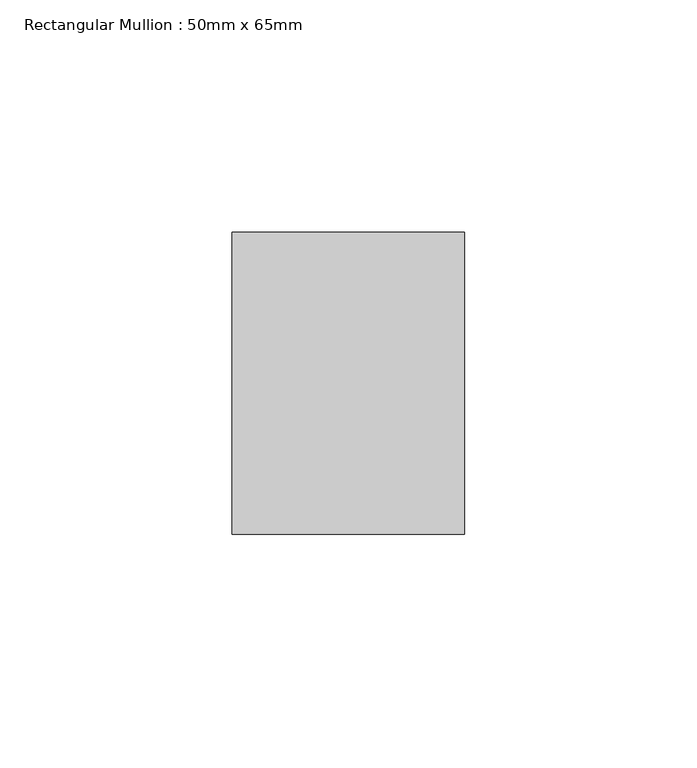
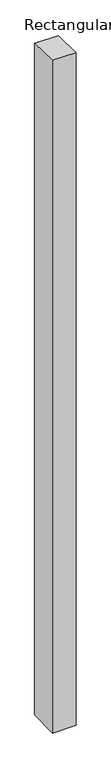
"""IFC4 building model written with IfcOpenShell, lengths in millimetres: member geometry, Rectangular Mullion : 50mm x 65mm."""

from ifc_helpers import new_model, si_unit, origin, place, context, project, spatial, faceted_brep, source, transform, mapped, element, save


def rectangular_mullion_50mm_x_65mm_23222e4f(model_context):
    return source(origin(), model_context, "Body", "Brep", [
        faceted_brep([(-25.0, 32.5, -0.7127064), (25.0, 32.5, -0.7127086), (25.0, 32.5, -1499.1023387), (-25.0, 32.5, -1499.1023416), (-25.0, -32.5, 0.7127086), (-25.0, -32.5, -1500.8982678), (25.0, -32.5, 0.7127064), (25.0, -32.5, -1500.898265)], [[[0, 1, 2, 3]], [[4, 0, 3, 5]], [[6, 4, 5, 7]], [[1, 6, 7, 2]], [[1, 0, 4, 6]], [[2, 7, 5, 3]]]),
    ])


if __name__ == "__main__":
    model = new_model("IFC4")
    model_context = context("Model", 3, world=origin())
    ifc_project = project(units=[si_unit("LENGTHUNIT", "METRE", prefix="MILLI")], contexts=[model_context])
    site = spatial("IfcSite", under=ifc_project)
    building = spatial("IfcBuilding", under=site)
    placement = place(None, origin())
    rectangular_mullion_50mm_x_65mm_shape = rectangular_mullion_50mm_x_65mm_23222e4f(model_context)
    element("IfcMember", 1, ObjectType="Rectangular Mullion : 50mm x 65mm", at=placement, inside=building, context=model_context, shape_type="MappedRepresentation", body=[
        mapped(rectangular_mullion_50mm_x_65mm_shape, transform((0.0, 0.0, 0.0), x_axis=(1.0, 0.0, 0.0), y_axis=(0.0, 1.0, 0.0), z_axis=(0.0, 0.0, 1.0))),
    ])
    save(model, "model.ifc")
